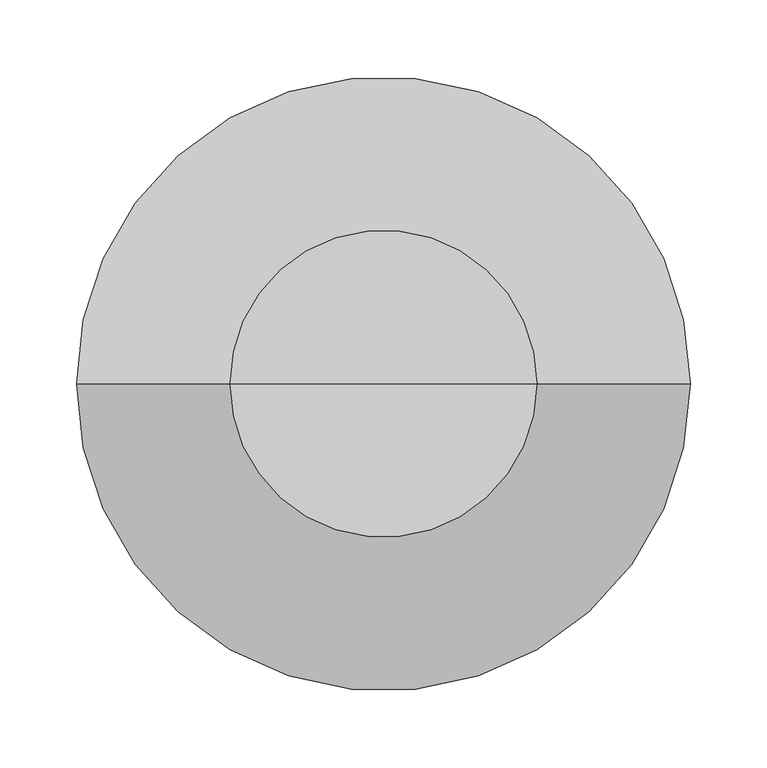
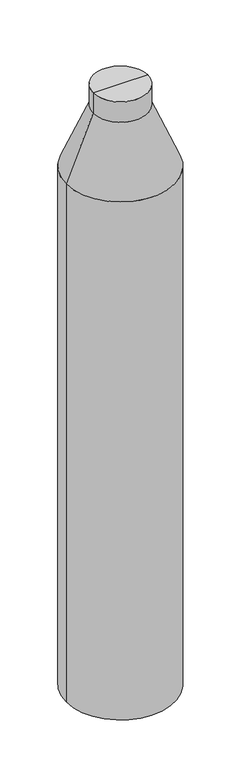
"""IFC4 building model written with IfcOpenShell, lengths in millimetres: column geometry."""

from ifc_helpers import new_model, si_unit, frame, origin, place, context, project, spatial, polyline, circle_curve, source, transform, mapped, element, save
from ifc_brep_helpers import plane_surface, cylinder_surface, revolved_surface, advanced_brep


def column_006a3a42(model_context):
    return source(origin(), model_context, "Body", "AdvancedBrep", [
        advanced_brep(
        [(-200.0, 0.0, -579.125), (200.0, 0.0, -579.125), (200.0, 0.0, -2599.125), (-200.0, 0.0, -2599.125), (0.0, 0.0, -2599.125), (-100.0, 0.0, -339.125), (100.0, 0.0, -339.125), (-100.0, 0.0, -259.125), (100.0, 0.0, -259.125), (0.0, 0.0, -259.125)],
        [
            (0, 1, circle_curve(frame((0.0, 0.0, -579.125), z_axis=(0.0, 0.0, -1.0), x_axis=(1.0, 0.0, 0.0)), 200.0)),
            (1, 2),
            (2, 3, circle_curve(frame((0.0, 0.0, -2599.125), z_axis=(0.0, 0.0, 1.0), x_axis=(1.0, 0.0, 0.0)), 200.0)),
            (3, 0),
            (2, 4),
            (4, 3),
            (2, 3, circle_curve(frame((0.0, 0.0, -2599.125), z_axis=(0.0, 0.0, -1.0), x_axis=(1.0, 0.0, 0.0)), 200.0)),
            (1, 0, circle_curve(frame((0.0, 0.0, -579.125), z_axis=(0.0, 0.0, -1.0), x_axis=(1.0, 0.0, 0.0)), 200.0)),
            (5, 6, circle_curve(frame((0.0, 0.0, -339.125), z_axis=(0.0, 0.0, -1.0), x_axis=(1.0, 0.0, 0.0)), 100.0)),
            (6, 1),
            (0, 5),
            (6, 5, circle_curve(frame((0.0, 0.0, -339.125), z_axis=(0.0, 0.0, -1.0), x_axis=(1.0, 0.0, 0.0)), 100.0)),
            (7, 8, circle_curve(frame((0.0, 0.0, -259.125), z_axis=(0.0, 0.0, -1.0), x_axis=(1.0, 0.0, 0.0)), 100.0)),
            (8, 6),
            (5, 7),
            (8, 7, circle_curve(frame((0.0, 0.0, -259.125), z_axis=(0.0, 0.0, -1.0), x_axis=(1.0, 0.0, 0.0)), 100.0)),
            (9, 8),
            (7, 9),
        ],
        [
            cylinder_surface(frame((0.0, 0.0, -617.8940014), z_axis=(0.0, 0.0, 1.0), x_axis=(1.0, 0.0, 0.0)), 200.0),
            plane_surface(frame((0.0, 0.0, -2599.125), z_axis=(0.0, 0.0, -1.0), x_axis=(1.0, 0.0, 0.0))),
            revolved_surface(polyline([(200.0, 0.0, -579.125), (100.0, 0.0, -339.125)]), (0.0, 0.0, -617.8940014), (0.0, 0.0, 1.0)),
            cylinder_surface(frame((0.0, 0.0, -617.8940014), z_axis=(0.0, 0.0, 1.0), x_axis=(1.0, 0.0, 0.0)), 100.0),
            plane_surface(frame((0.0, 0.0, -259.125), z_axis=(0.0, 0.0, 1.0), x_axis=(1.0, 0.0, 0.0))),
        ],
        [
            (0, [[1, 2, 3, 4]]),
            (1, [[-3, 5, 6]]),
            (1, [[7, -6, -5]]),
            (0, [[8, -4, -7, -2]]),
            (2, [[9, 10, -1, 11]]),
            (2, [[12, -11, -8, -10]]),
            (3, [[13, 14, -9, 15]]),
            (3, [[16, -15, -12, -14]]),
            (4, [[17, -13, 18]]),
            (4, [[-18, -16, -17]]),
        ],
    ),
    ])


if __name__ == "__main__":
    model = new_model("IFC4")
    model_context = context("Model", 3, world=origin())
    ifc_project = project(units=[si_unit("LENGTHUNIT", "METRE", prefix="MILLI")], contexts=[model_context])
    site = spatial("IfcSite", under=ifc_project)
    building = spatial("IfcBuilding", under=site)
    placement = place(None, origin())
    column_shape = column_006a3a42(model_context)
    element("IfcColumn", 1, at=placement, inside=building, context=model_context, shape_type="MappedRepresentation", body=[
        mapped(column_shape, transform((0.0, 0.0, 0.0), x_axis=(1.0, 0.0, 0.0), y_axis=(0.0, 1.0, 0.0), z_axis=(0.0, 0.0, 1.0))),
    ])
    save(model, "model.ifc")
